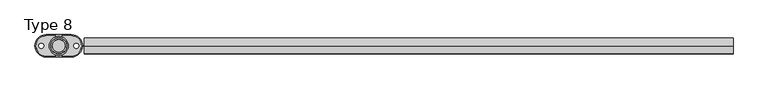
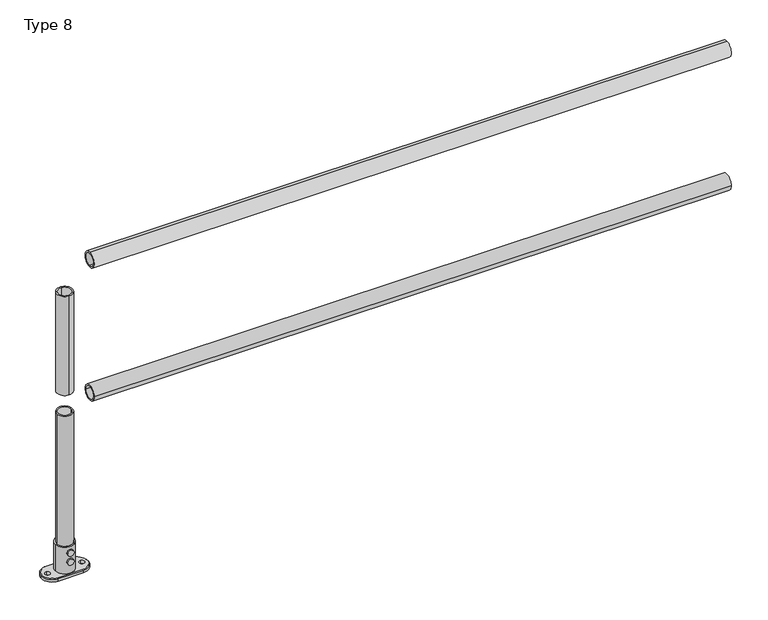
"""IFC4 building model written with IfcOpenShell, lengths in millimetres: proxy geometry, Type 8."""

import ifcopenshell
import ifcopenshell.guid

model = None  # the IFC model being written
_history = None  # IfcOwnerHistory: only IFC2X3 demands one
_inside = {}  # id of a spatial element -> (the spatial element, [elements in it])
_under = {}  # id of a project, library or spatial element -> (it, [spatial elements below it])
_declared = {}  # id of a project -> (the project, [libraries it declares])
_typed = {}  # id of a type object -> (the type object, [elements of that type])
_made_of = {}  # id of a material, layer set ... -> (it, [elements and type objects made of it])


def new_model(schema):
    """Start an empty IFC model of exactly this schema.

    Asked for "IFC4X3", IfcOpenShell would pick the latest addendum, in which some entities
    have other attributes; the version numbers below select the first issue.
    IFC2X3 requires an IfcOwnerHistory on every rooted entity: one is made here for all.
    """
    global model, _history
    if schema == "IFC4X3":
        model = ifcopenshell.file(schema_version=(4, 3, 0, 0))
    else:
        model = ifcopenshell.file(schema=schema)
    _inside.clear()
    _under.clear()
    _declared.clear()
    _typed.clear()
    _made_of.clear()
    _history = None
    if model.schema == "IFC2X3":
        org = make("IfcOrganization", Name="unknown")
        user = make(
            "IfcPersonAndOrganization",
            ThePerson=make("IfcPerson", FamilyName="unknown"),
            TheOrganization=org,
        )
        app = make(
            "IfcApplication",
            ApplicationDeveloper=org,
            Version="unknown",
            ApplicationFullName="unknown",
            ApplicationIdentifier="unknown",
        )
        _history = make(
            "IfcOwnerHistory",
            OwningUser=user,
            OwningApplication=app,
            ChangeAction="ADDED",
            CreationDate=0,
        )
    return model


def make(cls, **values):
    """One entity of the class cls with the attributes given. An attribute that is None is left unset."""
    return model.create_entity(
        cls, **{name: value for name, value in values.items() if value is not None}
    )


def rooted(cls, **values):
    """An entity with a GlobalId (a new one), such as an element, a storey or a relation."""
    return make(cls, GlobalId=ifcopenshell.guid.new(), OwnerHistory=_history, **values)


def si_unit(unit_type, name, prefix=None):
    """IfcSIUnit, for example si_unit("LENGTHUNIT", "METRE", prefix="MILLI")."""
    return make("IfcSIUnit", UnitType=unit_type, Prefix=prefix, Name=name)


def assignment(units):
    """IfcUnitAssignment: the units of a project."""
    return None if units is None else make("IfcUnitAssignment", Units=units)


def point(xyz):
    """IfcCartesianPoint."""
    return None if xyz is None else make("IfcCartesianPoint", Coordinates=xyz)


def direction(xyz):
    """IfcDirection."""
    return None if xyz is None else make("IfcDirection", DirectionRatios=xyz)


def frame(location, z_axis=None, x_axis=None):
    """IfcAxis2Placement3D, a coordinate frame: its origin and axes. An axis left out is left unset."""
    return make(
        "IfcAxis2Placement3D",
        Location=point(location),
        Axis=direction(z_axis),
        RefDirection=direction(x_axis),
    )


def frame_2d(location, x_axis=None):
    """IfcAxis2Placement2D, a coordinate frame in the plane: its origin and x axis."""
    return make(
        "IfcAxis2Placement2D", Location=point(location), RefDirection=direction(x_axis)
    )


def origin():
    """The frame at (0, 0, 0) with its axes left unset."""
    return frame((0.0, 0.0, 0.0))


def origin_with_axes():
    """The frame at (0, 0, 0) with the z axis (0, 0, 1) and the x axis (1, 0, 0) written out."""
    return frame((0.0, 0.0, 0.0), z_axis=(0.0, 0.0, 1.0), x_axis=(1.0, 0.0, 0.0))


def origin_2d():
    """The frame at (0, 0) in the plane with its x axis left unset."""
    return frame_2d((0.0, 0.0))


def place(relative_to, where):
    """IfcLocalPlacement: puts the frame where relative to a parent placement (None: the world)."""
    return make(
        "IfcLocalPlacement", PlacementRelTo=relative_to, RelativePlacement=where
    )


def context(
    kind, dimensions, precision=None, world=None, true_north=None, identifier=None
):
    """IfcGeometricRepresentationContext, for example the 3D "Model" context."""
    return make(
        "IfcGeometricRepresentationContext",
        ContextIdentifier=identifier,
        ContextType=kind,
        CoordinateSpaceDimension=dimensions,
        Precision=precision,
        WorldCoordinateSystem=world,
        TrueNorth=true_north,
    )


def project(units=None, contexts=None):
    """IfcProject with its units and contexts."""
    return rooted(
        "IfcProject",
        Name="project",
        RepresentationContexts=contexts,
        UnitsInContext=assignment(units),
    )


def spatial(cls, under=None, at=None, **own):
    """A site, building, storey or space (cls), placed at a placement, below another one or the project."""
    s = rooted(cls, ObjectPlacement=at, **own)
    if under is not None:
        _under.setdefault(under.id(), (under, []))[1].append(s)
    return s


def polyline(points):
    """IfcPolyline through the points."""
    return make("IfcPolyline", Points=[point(p) for p in points])


def circle_curve(where, radius):
    """IfcCircle in the frame where."""
    return make("IfcCircle", Position=where, Radius=radius)


def trimmed(basis, trim1, trim2, sense, master):
    """IfcTrimmedCurve: the piece of a basis curve between two trims."""
    return make(
        "IfcTrimmedCurve",
        BasisCurve=basis,
        Trim1=trim1,
        Trim2=trim2,
        SenseAgreement=sense,
        MasterRepresentation=master,
    )


def segment(curve, same_sense, transition):
    """IfcCompositeCurveSegment."""
    return make(
        "IfcCompositeCurveSegment",
        Transition=transition,
        SameSense=same_sense,
        ParentCurve=curve,
    )


def composite_curve(segments, self_intersect=None):
    """IfcCompositeCurve: segments joined end to end."""
    return make("IfcCompositeCurve", Segments=segments, SelfIntersect=self_intersect)


def outline(outer, holes=None, kind="AREA"):
    """IfcArbitraryClosedProfileDef: a profile drawn as a closed curve; with holes, ...WithVoids."""
    if holes is None:
        return make("IfcArbitraryClosedProfileDef", ProfileType=kind, OuterCurve=outer)
    return make(
        "IfcArbitraryProfileDefWithVoids",
        ProfileType=kind,
        OuterCurve=outer,
        InnerCurves=holes,
    )


def extrude(swept, where, along, depth):
    """IfcExtrudedAreaSolid: the profile swept, set in the frame where, extruded along a direction by depth."""
    return make(
        "IfcExtrudedAreaSolid",
        SweptArea=swept,
        Position=where,
        ExtrudedDirection=direction(along),
        Depth=depth,
    )


def shape(context_of_items, identifier, shape_type, items):
    """IfcShapeRepresentation: the items that make up one representation, for example the "Body"."""
    return make(
        "IfcShapeRepresentation",
        ContextOfItems=context_of_items,
        RepresentationIdentifier=identifier,
        RepresentationType=shape_type,
        Items=items,
    )


def source(mapping_origin, context_of_items, identifier, shape_type, items):
    """IfcRepresentationMap: a shape defined once, which mapped items show again and again."""
    return make(
        "IfcRepresentationMap",
        MappingOrigin=mapping_origin,
        MappedRepresentation=shape(context_of_items, identifier, shape_type, items),
    )


def transform(
    local_origin,
    x_axis=None,
    y_axis=None,
    z_axis=None,
    scale=None,
    scale2=None,
    scale3=None,
    uniform=True,
):
    """IfcCartesianTransformationOperator3D, or its non-uniform kind. x_axis, y_axis, z_axis: its Axis1, 2, 3."""
    if uniform:
        return make(
            "IfcCartesianTransformationOperator3D",
            Axis1=direction(x_axis),
            Axis2=direction(y_axis),
            LocalOrigin=point(local_origin),
            Scale=scale,
            Axis3=direction(z_axis),
        )
    return make(
        "IfcCartesianTransformationOperator3DnonUniform",
        Axis1=direction(x_axis),
        Axis2=direction(y_axis),
        LocalOrigin=point(local_origin),
        Scale=scale,
        Axis3=direction(z_axis),
        Scale2=scale2,
        Scale3=scale3,
    )


def mapped(mapping_source, mapping_target):
    """IfcMappedItem: shows the shape of a source again, moved by a transform."""
    return make(
        "IfcMappedItem", MappingSource=mapping_source, MappingTarget=mapping_target
    )


def made_of(thing, what):
    """Note that an element or type object is made of a material, layer set ...; save() writes the relation."""
    if what is not None:
        _made_of.setdefault(what.id(), (what, []))[1].append(thing)
    return thing


def element(
    cls,
    number,
    at=None,
    inside=None,
    cuts=None,
    type_object=None,
    material=None,
    context=None,
    identifier="Body",
    shape_type=None,
    held_by="IfcProductDefinitionShape",
    body=None,
    shapes=None,
    **own,
):
    """One element of the class cls, such as IfcWall. Its Tag is "e" and its number.

    at: its placement. inside: the storey or other place that contains it. cuts: it is an
    opening in that element (IfcRelVoidsElement). A single representation is given by context,
    identifier, shape_type and body (its items); several are given by shapes. held_by: the class
    of the entity that holds the representations. save() writes the other relations.
    """
    e = rooted(cls, Tag="e%d" % number, ObjectPlacement=at, **own)
    if body is not None:
        shapes = [shape(context, identifier, shape_type, body)]
    if shapes is not None:
        e.Representation = make(held_by, Representations=shapes)
    if inside is not None:
        _inside.setdefault(inside.id(), (inside, []))[1].append(e)
    if cuts is not None:
        rooted(
            "IfcRelVoidsElement", RelatingBuildingElement=cuts, RelatedOpeningElement=e
        )
    if type_object is not None:
        _typed.setdefault(type_object.id(), (type_object, []))[1].append(e)
    return made_of(e, material)


def aggregate(whole, parts):
    """IfcRelAggregates: a whole, such as a stair, and the parts it consists of."""
    return rooted("IfcRelAggregates", RelatingObject=whole, RelatedObjects=parts)


def save(model, path):
    """Write the relations noted so far, then the file.

    IfcRelAggregates (storeys below a building ...), IfcRelContainedInSpatialStructure (elements
    in a storey), IfcRelDefinesByType, IfcRelAssociatesMaterial and IfcRelDeclares: one each for
    every whole, place, type object, material and project.
    """
    for whole, parts in _under.values():
        aggregate(whole, parts)
    for where, things in _inside.values():
        rooted(
            "IfcRelContainedInSpatialStructure",
            RelatedElements=things,
            RelatingStructure=where,
        )
    for kind, things in _typed.values():
        rooted("IfcRelDefinesByType", RelatedObjects=things, RelatingType=kind)
    for what, things in _made_of.values():
        rooted("IfcRelAssociatesMaterial", RelatedObjects=things, RelatingMaterial=what)
    for by, libraries in _declared.values():
        rooted("IfcRelDeclares", RelatingContext=by, RelatedDefinitions=libraries)
    model.write(path)


def plane_surface(at):
    """IfcPlane: the flat surface through the origin of the frame at, square to its z axis."""
    return make("IfcPlane", Position=at)


def cylinder_surface(at, radius):
    """IfcCylindricalSurface: all points at the distance radius from the z axis of the frame at."""
    return make("IfcCylindricalSurface", Position=at, Radius=radius)


def revolved_surface(curve, axis_point, axis_direction):
    """IfcSurfaceOfRevolution: the curve turned about the line through axis_point along axis_direction."""
    return make(
        "IfcSurfaceOfRevolution",
        SweptCurve=make("IfcArbitraryOpenProfileDef", ProfileType="CURVE", Curve=curve),
        AxisPosition=make("IfcAxis1Placement", Location=point(axis_point), Axis=direction(axis_direction)),
    )


def advanced_brep(points, edges, surfaces, faces):
    """IfcAdvancedBrep: a solid bounded by faces that lie on surfaces and meet in shared edges.

    An edge is (start, end): straight between two places in points (the first is 0);
    or (start, end, curve); or (start, end, curve, False) where it runs against its curve.
    A face is (place in surfaces, loops), or (place, loops, False) where it looks against
    its surface's normal. A loop lists edges by number (the first is 1), with a minus sign
    where the edge is run from its end to its start. The first loop is the outer one.
    """
    corners = [point(p) for p in points]
    vertices = [make("IfcVertexPoint", VertexGeometry=c) for c in corners]
    made = []
    for start, end, *more in edges:
        made.append(
            make(
                "IfcEdgeCurve",
                EdgeStart=vertices[start],
                EdgeEnd=vertices[end],
                EdgeGeometry=more[0] if more else make("IfcPolyline", Points=[corners[start], corners[end]]),
                SameSense=more[1] if len(more) > 1 else True,
            )
        )
    hull = []
    for where, loops, *sense in faces:
        bounds = []
        for j, loop in enumerate(loops):
            ring = [make("IfcOrientedEdge", EdgeElement=made[abs(k) - 1], Orientation=k > 0) for k in loop]
            bounds.append(
                make(
                    "IfcFaceOuterBound" if j == 0 else "IfcFaceBound",
                    Bound=make("IfcEdgeLoop", EdgeList=ring),
                    Orientation=True,
                )
            )
        hull.append(make("IfcAdvancedFace", Bounds=bounds, FaceSurface=surfaces[where], SameSense=sense[0] if sense else True))
    return make("IfcAdvancedBrep", Outer=make("IfcClosedShell", CfsFaces=hull))


def type_8_d6ee0f72(model_context):
    return source(origin(), model_context, "Body", "SolidModel", [
        extrude(outline(composite_curve([segment(trimmed(circle_curve(frame_2d((0.0, 575.0)), 25.0), [point((25.0, 575.0))], [point((-25.0, 575.0))], False, "CARTESIAN"), True, "CONTINUOUS"), segment(trimmed(circle_curve(frame_2d((0.0, 575.0)), 25.0), [point((-25.0, 575.0))], [point((25.0, 575.0))], False, "CARTESIAN"), True, "CONTINUOUS")], self_intersect=False), holes=[composite_curve([segment(trimmed(circle_curve(frame_2d((0.0, 575.0)), 20.0), [point((20.0, 575.0))], [point((-20.0, 575.0))], True, "CARTESIAN"), True, "CONTINUOUS"), segment(trimmed(circle_curve(frame_2d((0.0, 575.0)), 20.0), [point((-20.0, 575.0))], [point((20.0, 575.0))], True, "CARTESIAN"), True, "CONTINUOUS")], self_intersect=False)]), frame((80.0, 0.0, 0.0), z_axis=(1.0, 0.0, 0.0), x_axis=(0.0, 1.0, 0.0)), (0.0, 0.0, 1.0), 2040.0),
        extrude(outline(composite_curve([segment(trimmed(circle_curve(frame_2d((0.0, 1025.0)), 25.0), [point((0.0, 1050.0))], [point((0.0, 1000.0))], False, "CARTESIAN"), True, "CONTINUOUS"), segment(trimmed(circle_curve(frame_2d((0.0, 1025.0)), 25.0), [point((0.0, 1000.0))], [point((0.0, 1050.0))], False, "CARTESIAN"), True, "CONTINUOUS")], self_intersect=False), holes=[composite_curve([segment(trimmed(circle_curve(frame_2d((0.0, 1025.0)), 20.0), [point((0.0, 1045.0))], [point((0.0, 1005.0))], True, "CARTESIAN"), True, "CONTINUOUS"), segment(trimmed(circle_curve(frame_2d((0.0, 1025.0)), 20.0), [point((0.0, 1005.0))], [point((0.0, 1045.0))], True, "CARTESIAN"), True, "CONTINUOUS")], self_intersect=False)]), frame((80.0, 0.0, 0.0), z_axis=(1.0, 0.0, 0.0), x_axis=(0.0, 1.0, 0.0)), (0.0, 0.0, 1.0), 2040.0),
        extrude(outline(composite_curve([segment(trimmed(circle_curve(origin_2d(), 25.0), [point((0.0, 25.0))], [point((0.0, -25.0))], False, "CARTESIAN"), True, "CONTINUOUS"), segment(trimmed(circle_curve(origin_2d(), 25.0), [point((0.0, -25.0))], [point((0.0, 25.0))], False, "CARTESIAN"), True, "CONTINUOUS")], self_intersect=False), holes=[composite_curve([segment(trimmed(circle_curve(origin_2d(), 20.0), [point((0.0, 20.0))], [point((0.0, -20.0))], True, "CARTESIAN"), True, "CONTINUOUS"), segment(trimmed(circle_curve(origin_2d(), 20.0), [point((0.0, -20.0))], [point((0.0, 20.0))], True, "CARTESIAN"), True, "CONTINUOUS")], self_intersect=False)]), frame((0.0, 0.0, 610.0), z_axis=(0.0, 0.0, 1.0), x_axis=(1.0, 0.0, 0.0)), (0.0, 0.0, 1.0), 335.0),
        extrude(outline(composite_curve([segment(trimmed(circle_curve(origin_2d(), 25.0), [point((25.0, 0.0))], [point((-25.0, 0.0))], False, "CARTESIAN"), True, "CONTINUOUS"), segment(trimmed(circle_curve(origin_2d(), 25.0), [point((-25.0, 0.0))], [point((25.0, 0.0))], False, "CARTESIAN"), True, "CONTINUOUS")], self_intersect=False), holes=[composite_curve([segment(trimmed(circle_curve(origin_2d(), 20.0), [point((20.0, 0.0))], [point((-20.0, 0.0))], True, "CARTESIAN"), True, "CONTINUOUS"), segment(trimmed(circle_curve(origin_2d(), 20.0), [point((-20.0, 0.0))], [point((20.0, 0.0))], True, "CARTESIAN"), True, "CONTINUOUS")], self_intersect=False)]), frame((0.0, 0.0, 100.0), z_axis=(0.0, 0.0, 1.0), x_axis=(1.0, 0.0, 0.0)), (0.0, 0.0, 1.0), 440.0),
        extrude(outline(composite_curve([segment(trimmed(circle_curve(frame_2d((50.0, 0.0)), 10.0), [point((50.0, -10.0))], [point((50.0, 10.0))], False, "CARTESIAN"), True, "CONTINUOUS"), segment(trimmed(circle_curve(frame_2d((50.0, 0.0)), 10.0), [point((50.0, 10.0))], [point((50.0, -10.0))], False, "CARTESIAN"), True, "CONTINUOUS")], self_intersect=False)), frame((0.0, -35.0, 0.0), z_axis=(0.0, 1.0, 0.0), x_axis=(0.0, 0.0, 1.0)), (0.0, 0.0, 1.0), 5.0),
        extrude(outline(composite_curve([segment(trimmed(circle_curve(frame_2d((80.0, 0.0)), 10.0), [point((80.0, -10.0))], [point((80.0, 10.0))], False, "CARTESIAN"), True, "CONTINUOUS"), segment(trimmed(circle_curve(frame_2d((80.0, 0.0)), 10.0), [point((80.0, 10.0))], [point((80.0, -10.0))], False, "CARTESIAN"), True, "CONTINUOUS")], self_intersect=False)), frame((0.0, -35.0, 0.0), z_axis=(0.0, 1.0, 0.0), x_axis=(0.0, 0.0, 1.0)), (0.0, 0.0, 1.0), 5.0),
        extrude(outline(composite_curve([segment(trimmed(circle_curve(frame_2d((50.0, 0.0)), 10.0), [point((50.0, -10.0))], [point((50.0, 10.0))], False, "CARTESIAN"), True, "CONTINUOUS"), segment(trimmed(circle_curve(frame_2d((50.0, 0.0)), 10.0), [point((50.0, 10.0))], [point((50.0, -10.0))], False, "CARTESIAN"), True, "CONTINUOUS")], self_intersect=False)), frame((0.0, 30.0, 0.0), z_axis=(0.0, 1.0, 0.0), x_axis=(0.0, 0.0, 1.0)), (0.0, 0.0, 1.0), 5.0),
        extrude(outline(composite_curve([segment(trimmed(circle_curve(frame_2d((80.0, 0.0)), 10.0), [point((80.0, -10.0))], [point((80.0, 10.0))], False, "CARTESIAN"), True, "CONTINUOUS"), segment(trimmed(circle_curve(frame_2d((80.0, 0.0)), 10.0), [point((80.0, 10.0))], [point((80.0, -10.0))], False, "CARTESIAN"), True, "CONTINUOUS")], self_intersect=False)), frame((0.0, 30.0, 0.0), z_axis=(0.0, 1.0, 0.0), x_axis=(0.0, 0.0, 1.0)), (0.0, 0.0, 1.0), 5.0),
        advanced_brep(
        [(-30.0, 0.0, 100.0), (30.0, 0.0, 100.0), (-25.0, 0.0, 100.0), (25.0, 0.0, 100.0), (40.0, -35.0, 0.0), (-40.0, -35.0, 0.0), (-75.0, 0.0, 0.0), (-40.0, 35.0, 0.0), (40.0, 35.0, 0.0), (75.0, 0.0, 0.0), (-55.0, -8.0, 0.0), (-55.0, 8.0, 0.0), (55.0, -8.0, 0.0), (55.0, 8.0, 0.0), (30.0, 0.0, 10.0), (-30.0, 0.0, 10.0), (25.0, 0.0, 10.0), (-25.0, 0.0, 10.0), (40.0, 32.0, 10.0), (-40.0, 32.0, 10.0), (-72.0, 0.0, 10.0), (-40.0, -32.0, 10.0), (40.0, -32.0, 10.0), (72.0, 0.0, 10.0), (-55.0, 8.0, 10.0), (-55.0, -8.0, 10.0), (55.0, 8.0, 10.0), (55.0, -8.0, 10.0), (40.0, -35.0, 7.0), (-40.0, -35.0, 7.0), (-75.0, 0.0, 7.0), (-40.0, 35.0, 7.0), (40.0, 35.0, 7.0), (75.0, 0.0, 7.0)],
        [
            (0, 1, circle_curve(frame((0.0, 0.0, 100.0), z_axis=(0.0, 0.0, 1.0), x_axis=(1.0, 0.0, 0.0)), 30.0)),
            (1, 0, circle_curve(frame((0.0, 0.0, 100.0), z_axis=(0.0, 0.0, 1.0), x_axis=(1.0, 0.0, 0.0)), 30.0)),
            (2, 3, circle_curve(frame((0.0, 0.0, 100.0), z_axis=(0.0, 0.0, -1.0), x_axis=(1.0, 0.0, 0.0)), 25.0)),
            (3, 2, circle_curve(frame((0.0, 0.0, 100.0), z_axis=(0.0, 0.0, -1.0), x_axis=(1.0, 0.0, 0.0)), 25.0)),
            (4, 5),
            (5, 6, circle_curve(frame((-40.0, 0.0, 0.0), z_axis=(0.0, 0.0, -1.0), x_axis=(1.0, 0.0, 0.0)), 35.0)),
            (6, 7, circle_curve(frame((-40.0, 0.0, 0.0), z_axis=(0.0, 0.0, -1.0), x_axis=(1.0, 0.0, 0.0)), 35.0)),
            (7, 8),
            (8, 9, circle_curve(frame((40.0, 0.0, 0.0), z_axis=(0.0, 0.0, -1.0), x_axis=(1.0, 0.0, 0.0)), 35.0)),
            (9, 4, circle_curve(frame((40.0, 0.0, 0.0), z_axis=(0.0, 0.0, -1.0), x_axis=(1.0, 0.0, 0.0)), 35.0)),
            (10, 11, circle_curve(frame((-55.0, 0.0, 0.0), z_axis=(0.0, 0.0, 1.0), x_axis=(0.0, -1.0, 0.0)), 8.0)),
            (11, 10, circle_curve(frame((-55.0, 0.0, 0.0), z_axis=(0.0, 0.0, 1.0), x_axis=(0.0, -1.0, 0.0)), 8.0)),
            (12, 13, circle_curve(frame((55.0, 0.0, 0.0), z_axis=(0.0, 0.0, 1.0), x_axis=(0.0, -1.0, 0.0)), 8.0)),
            (13, 12, circle_curve(frame((55.0, 0.0, 0.0), z_axis=(0.0, 0.0, 1.0), x_axis=(0.0, -1.0, 0.0)), 8.0)),
            (1, 14),
            (14, 15, circle_curve(frame((0.0, 0.0, 10.0), z_axis=(0.0, 0.0, 1.0), x_axis=(1.0, 0.0, 0.0)), 30.0)),
            (15, 0),
            (15, 14, circle_curve(frame((0.0, 0.0, 10.0), z_axis=(0.0, 0.0, 1.0), x_axis=(1.0, 0.0, 0.0)), 30.0)),
            (3, 16),
            (16, 17, circle_curve(frame((0.0, 0.0, 10.0), z_axis=(0.0, 0.0, -1.0), x_axis=(1.0, 0.0, 0.0)), 25.0)),
            (17, 2),
            (17, 16, circle_curve(frame((0.0, 0.0, 10.0), z_axis=(0.0, 0.0, -1.0), x_axis=(1.0, 0.0, 0.0)), 25.0)),
            (18, 19),
            (19, 20, circle_curve(frame((-40.0, 0.0, 10.0), z_axis=(0.0, 0.0, 1.0), x_axis=(-1.0, 0.0, 0.0)), 32.0)),
            (20, 21, circle_curve(frame((-40.0, 0.0, 10.0), z_axis=(0.0, 0.0, 1.0), x_axis=(0.0, -1.0, 0.0)), 32.0)),
            (21, 22),
            (22, 23, circle_curve(frame((40.0, 0.0, 10.0), z_axis=(0.0, 0.0, 1.0), x_axis=(1.0, 0.0, 0.0)), 32.0)),
            (23, 18, circle_curve(frame((40.0, 0.0, 10.0), z_axis=(0.0, 0.0, 1.0), x_axis=(0.0, 1.0, 0.0)), 32.0)),
            (24, 25, circle_curve(frame((-55.0, 0.0, 10.0), z_axis=(0.0, 0.0, -1.0), x_axis=(0.0, -1.0, 0.0)), 8.0)),
            (25, 24, circle_curve(frame((-55.0, 0.0, 10.0), z_axis=(0.0, 0.0, -1.0), x_axis=(0.0, -1.0, 0.0)), 8.0)),
            (26, 27, circle_curve(frame((55.0, 0.0, 10.0), z_axis=(0.0, 0.0, -1.0), x_axis=(0.0, -1.0, 0.0)), 8.0)),
            (27, 26, circle_curve(frame((55.0, 0.0, 10.0), z_axis=(0.0, 0.0, -1.0), x_axis=(0.0, -1.0, 0.0)), 8.0)),
            (4, 28),
            (28, 29),
            (29, 5),
            (29, 30, circle_curve(frame((-40.0, 0.0, 7.0), z_axis=(0.0, 0.0, -1.0), x_axis=(1.0, 0.0, 0.0)), 35.0)),
            (30, 6),
            (30, 31, circle_curve(frame((-40.0, 0.0, 7.0), z_axis=(0.0, 0.0, -1.0), x_axis=(1.0, 0.0, 0.0)), 35.0)),
            (31, 7),
            (31, 32),
            (32, 8),
            (32, 33, circle_curve(frame((40.0, 0.0, 7.0), z_axis=(0.0, 0.0, -1.0), x_axis=(1.0, 0.0, 0.0)), 35.0)),
            (33, 9),
            (33, 28, circle_curve(frame((40.0, 0.0, 7.0), z_axis=(0.0, 0.0, -1.0), x_axis=(1.0, 0.0, 0.0)), 35.0)),
            (11, 24),
            (25, 10),
            (13, 26),
            (27, 12),
            (32, 18),
            (23, 33),
            (22, 28),
            (21, 29),
            (20, 30),
            (19, 31),
        ],
        [
            plane_surface(frame((30.0, 0.0, 100.0), z_axis=(0.0, 0.0, 1.0), x_axis=(0.0, -1.0, 0.0))),
            plane_surface(frame((30.0, 0.0, 0.0), z_axis=(0.0, 0.0, -1.0), x_axis=(0.0, 1.0, 0.0))),
            cylinder_surface(origin_with_axes(), 30.0),
            revolved_surface(polyline([(25.0, 0.0, 10.0), (25.0, 0.0, 100.0)]), (0.0, 0.0, 0.0), (0.0, 0.0, -1.0)),
            plane_surface(frame((-92.6957996, -35.0, 10.0), z_axis=(0.0, 0.0, 1.0), x_axis=(-1.0, 0.0, 0.0))),
            plane_surface(frame((40.0, -35.0, 10.0), z_axis=(0.0, -1.0, 0.0), x_axis=(0.0, 0.0, -1.0))),
            cylinder_surface(frame((-40.0, 0.0, 0.0), z_axis=(0.0, 0.0, 1.0), x_axis=(1.0, 0.0, 0.0)), 35.0),
            plane_surface(frame((-40.0, 35.0, 10.0), z_axis=(0.0, 1.0, 0.0), x_axis=(0.0, 0.0, -1.0))),
            cylinder_surface(frame((40.0, 0.0, 0.0), z_axis=(0.0, 0.0, 1.0), x_axis=(1.0, 0.0, 0.0)), 35.0),
            revolved_surface(polyline([(-55.0, -8.0, 0.0), (-55.0, -8.0, 10.0)]), (-55.0, 0.0, 10.0), (0.0, 0.0, -1.0)),
            revolved_surface(polyline([(55.0, -8.0, 0.0), (55.0, -8.0, 10.0)]), (55.0, 0.0, 0.0), (0.0, 0.0, -1.0)),
            revolved_surface(polyline([(40.0, 35.0, 7.0), (40.0, 32.0, 10.0)]), (40.0, 0.0, 10.0), (0.0, 0.0, 1.0)),
            revolved_surface(polyline([(75.0, 0.0, 7.0), (72.0, 0.0, 10.0)]), (40.0, 0.0, 10.0), (0.0, 0.0, 1.0)),
            plane_surface(frame((40.0, -32.0, 10.0), z_axis=(0.0, -0.707106781186547, 0.707106781186548), x_axis=(-1.0, 0.0, 0.0))),
            revolved_surface(polyline([(-40.0, -35.0, 7.0), (-40.0, -32.0, 10.0)]), (-40.0, 0.0, 10.0), (0.0, 0.0, 1.0)),
            revolved_surface(polyline([(-75.0, 0.0, 7.0), (-72.0, 0.0, 10.0)]), (-40.0, 0.0, 10.0), (0.0, 0.0, 1.0)),
            plane_surface(frame((-40.0, 32.0, 10.0), z_axis=(0.0, 0.707106781186547, 0.707106781186548), x_axis=(1.0, 0.0, 0.0))),
        ],
        [
            (0, [[1, 2], [3, 4]]),
            (1, [[5, 6, 7, 8, 9, 10], [11, 12], [13, 14]]),
            (2, [[15, 16, 17, -2]]),
            (2, [[-17, 18, -15, -1]]),
            (3, [[19, 20, 21, -4]]),
            (3, [[-21, 22, -19, -3]]),
            (4, [[-22, -20]]),
            (4, [[23, 24, 25, 26, 27, 28], [-18, -16], [29, 30], [31, 32]]),
            (5, [[33, 34, 35, -5]]),
            (6, [[-35, 36, 37, -6]]),
            (6, [[-37, 38, 39, -7]]),
            (7, [[-39, 40, 41, -8]]),
            (8, [[-41, 42, 43, -9]]),
            (8, [[-43, 44, -33, -10]]),
            (9, [[-12, 45, -30, 46]]),
            (9, [[-29, -45, -11, -46]]),
            (10, [[-14, 47, -32, 48]]),
            (10, [[-31, -47, -13, -48]]),
            (11, [[-42, 49, -28, 50]]),
            (12, [[-27, 51, -44, -50]]),
            (13, [[-26, 52, -34, -51]]),
            (14, [[-25, 53, -36, -52]]),
            (15, [[-24, 54, -38, -53]]),
            (16, [[-40, -54, -23, -49]]),
        ],
    ),
    ])


if __name__ == "__main__":
    model = new_model("IFC4")
    model_context = context("Model", 3, world=origin())
    ifc_project = project(units=[si_unit("LENGTHUNIT", "METRE", prefix="MILLI")], contexts=[model_context])
    site = spatial("IfcSite", under=ifc_project)
    building = spatial("IfcBuilding", under=site)
    placement = place(None, origin())
    type_8_shape = type_8_d6ee0f72(model_context)
    element("IfcBuildingElementProxy", 1, Name="Type 8", ObjectType="Type 8", at=placement, inside=building, context=model_context, shape_type="MappedRepresentation", body=[
        mapped(type_8_shape, transform((0.0, 0.0, 0.0), x_axis=(1.0, 0.0, 0.0), y_axis=(0.0, 1.0, 0.0), z_axis=(0.0, 0.0, 1.0))),
    ])
    save(model, "model.ifc")
